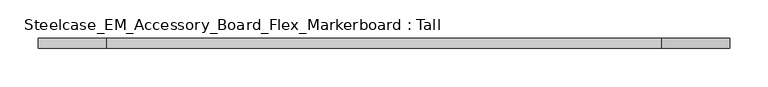
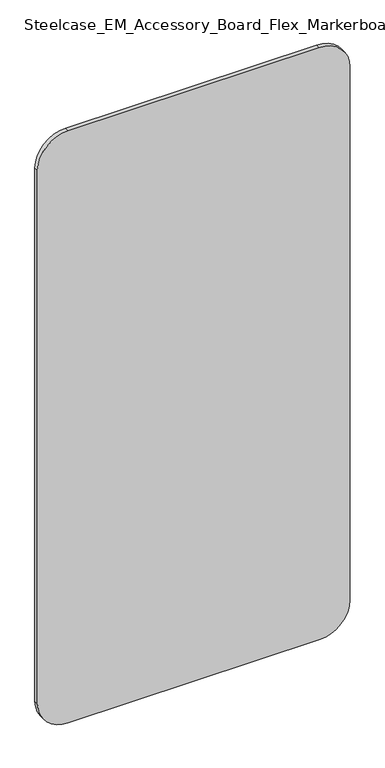
"""IFC4 building model written with IfcOpenShell, lengths in millimetres: furniture geometry, Steelcase_EM_Accessory_Board_Flex_Markerboard : Tall."""

from ifc_helpers import new_model, si_unit, point, frame, frame_2d, origin, place, context, project, spatial, polyline, circle_curve, trimmed, segment, composite_curve, outline, extrude, source, transform, mapped, element, save


def steelcase_em_accessory_board_flex_markerboard_tall_821d46c1(model_context):
    return source(origin(), model_context, "Body", "SweptSolid", [
        extrude(outline(composite_curve([segment(polyline([(1800.0, 811.1), (1800.0, 88.9)]), True, "CONTINUOUS"), segment(trimmed(circle_curve(frame_2d((1711.1, 88.9)), 88.9), [point((1800.0, 88.9))], [point((1711.1, 0.0))], False, "CARTESIAN"), True, "CONTINUOUS"), segment(polyline([(1711.1, 0.0), (88.9, 0.0)]), True, "CONTINUOUS"), segment(trimmed(circle_curve(frame_2d((88.9, 88.9)), 88.9), [point((88.9, 0.0))], [point((0.0, 88.9))], False, "CARTESIAN"), True, "CONTINUOUS"), segment(polyline([(0.0, 88.9), (0.0, 811.1)]), True, "CONTINUOUS"), segment(trimmed(circle_curve(frame_2d((88.9, 811.1)), 88.9), [point((0.0, 811.1))], [point((88.9, 900.0))], False, "CARTESIAN"), True, "CONTINUOUS"), segment(polyline([(88.9, 900.0), (1711.1, 900.0)]), True, "CONTINUOUS"), segment(trimmed(circle_curve(frame_2d((1711.1, 811.1)), 88.9), [point((1711.1, 900.0))], [point((1800.0, 811.1))], False, "CARTESIAN"), True, "CONTINUOUS")], self_intersect=False)), frame((0.0, -12.6929538, 0.0), z_axis=(0.0, 1.0, 0.0), x_axis=(0.0, 0.0, 1.0)), (0.0, 0.0, 1.0), 12.6929538),
    ])


if __name__ == "__main__":
    model = new_model("IFC4")
    model_context = context("Model", 3, world=origin())
    ifc_project = project(units=[si_unit("LENGTHUNIT", "METRE", prefix="MILLI")], contexts=[model_context])
    site = spatial("IfcSite", under=ifc_project)
    building = spatial("IfcBuilding", under=site)
    placement = place(None, origin())
    steelcase_em_accessory_board_flex_markerboard_tall_shape = steelcase_em_accessory_board_flex_markerboard_tall_821d46c1(model_context)
    element("IfcFurniture", 1, ObjectType="Steelcase_EM_Accessory_Board_Flex_Markerboard : Tall", at=placement, inside=building, context=model_context, shape_type="MappedRepresentation", body=[
        mapped(steelcase_em_accessory_board_flex_markerboard_tall_shape, transform((0.0, 0.0, 0.0), x_axis=(1.0, 0.0, 0.0), y_axis=(0.0, 1.0, 0.0), z_axis=(0.0, 0.0, 1.0))),
    ])
    save(model, "model.ifc")
